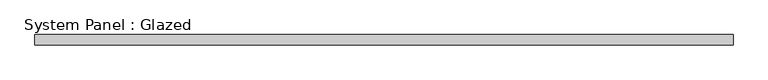
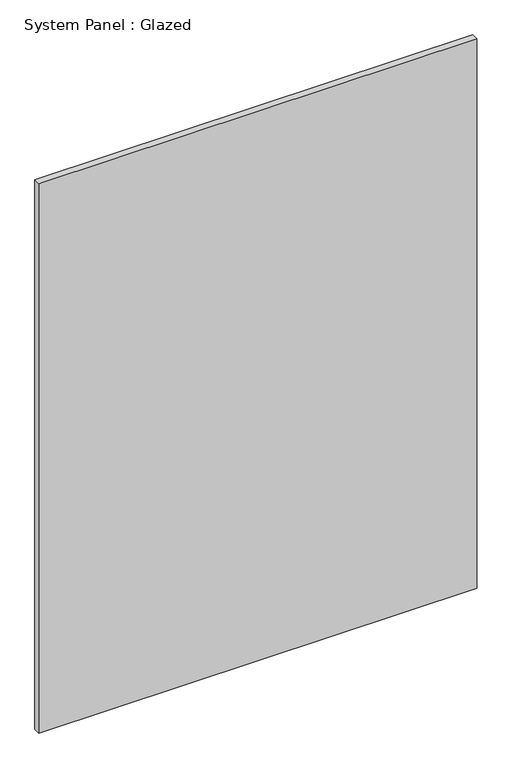
"""IFC4 building model written with IfcOpenShell, lengths in millimetres: plate geometry, System Panel : Glazed."""

from ifc_helpers import new_model, si_unit, origin, origin_with_axes, place, context, project, spatial, polyline, outline, extrude, source, transform, mapped, element, save


def system_panel_glazed_1d94da97(model_context):
    return source(origin(), model_context, "Body", "SweptSolid", [
        extrude(outline(polyline([(839.0000001, 24.5), (-839.0000001, 24.5), (-839.0000001, 49.5), (839.0000001, 49.5), (839.0000001, 24.5)])), origin_with_axes(), (0.0, 0.0, 1.0), 2225.2005243),
    ])


if __name__ == "__main__":
    model = new_model("IFC4")
    model_context = context("Model", 3, world=origin())
    ifc_project = project(units=[si_unit("LENGTHUNIT", "METRE", prefix="MILLI")], contexts=[model_context])
    site = spatial("IfcSite", under=ifc_project)
    building = spatial("IfcBuilding", under=site)
    placement = place(None, origin())
    system_panel_glazed_shape = system_panel_glazed_1d94da97(model_context)
    element("IfcPlate", 1, ObjectType="System Panel : Glazed", at=placement, inside=building, context=model_context, shape_type="MappedRepresentation", body=[
        mapped(system_panel_glazed_shape, transform((0.0, 0.0, 0.0), x_axis=(1.0, 0.0, 0.0), y_axis=(0.0, 1.0, 0.0), z_axis=(0.0, 0.0, 1.0))),
    ])
    save(model, "model.ifc")
